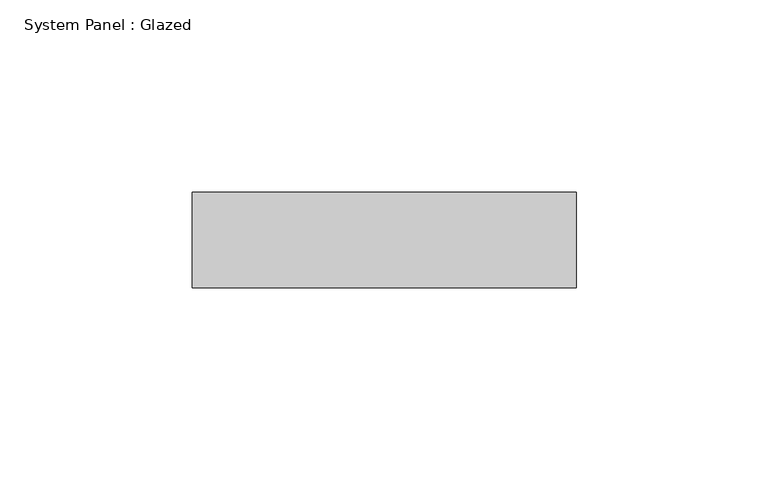
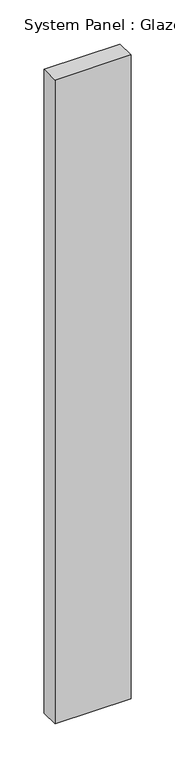
"""IFC4 building model written with IfcOpenShell, lengths in millimetres: plate geometry, System Panel : Glazed."""

import ifcopenshell
import ifcopenshell.guid

model = None  # the IFC model being written
_history = None  # IfcOwnerHistory: only IFC2X3 demands one
_inside = {}  # id of a spatial element -> (the spatial element, [elements in it])
_under = {}  # id of a project, library or spatial element -> (it, [spatial elements below it])
_declared = {}  # id of a project -> (the project, [libraries it declares])
_typed = {}  # id of a type object -> (the type object, [elements of that type])
_made_of = {}  # id of a material, layer set ... -> (it, [elements and type objects made of it])


def new_model(schema):
    """Start an empty IFC model of exactly this schema.

    Asked for "IFC4X3", IfcOpenShell would pick the latest addendum, in which some entities
    have other attributes; the version numbers below select the first issue.
    IFC2X3 requires an IfcOwnerHistory on every rooted entity: one is made here for all.
    """
    global model, _history
    if schema == "IFC4X3":
        model = ifcopenshell.file(schema_version=(4, 3, 0, 0))
    else:
        model = ifcopenshell.file(schema=schema)
    _inside.clear()
    _under.clear()
    _declared.clear()
    _typed.clear()
    _made_of.clear()
    _history = None
    if model.schema == "IFC2X3":
        org = make("IfcOrganization", Name="unknown")
        user = make(
            "IfcPersonAndOrganization",
            ThePerson=make("IfcPerson", FamilyName="unknown"),
            TheOrganization=org,
        )
        app = make(
            "IfcApplication",
            ApplicationDeveloper=org,
            Version="unknown",
            ApplicationFullName="unknown",
            ApplicationIdentifier="unknown",
        )
        _history = make(
            "IfcOwnerHistory",
            OwningUser=user,
            OwningApplication=app,
            ChangeAction="ADDED",
            CreationDate=0,
        )
    return model


def make(cls, **values):
    """One entity of the class cls with the attributes given. An attribute that is None is left unset."""
    return model.create_entity(
        cls, **{name: value for name, value in values.items() if value is not None}
    )


def rooted(cls, **values):
    """An entity with a GlobalId (a new one), such as an element, a storey or a relation."""
    return make(cls, GlobalId=ifcopenshell.guid.new(), OwnerHistory=_history, **values)


def si_unit(unit_type, name, prefix=None):
    """IfcSIUnit, for example si_unit("LENGTHUNIT", "METRE", prefix="MILLI")."""
    return make("IfcSIUnit", UnitType=unit_type, Prefix=prefix, Name=name)


def assignment(units):
    """IfcUnitAssignment: the units of a project."""
    return None if units is None else make("IfcUnitAssignment", Units=units)


def point(xyz):
    """IfcCartesianPoint."""
    return None if xyz is None else make("IfcCartesianPoint", Coordinates=xyz)


def direction(xyz):
    """IfcDirection."""
    return None if xyz is None else make("IfcDirection", DirectionRatios=xyz)


def frame(location, z_axis=None, x_axis=None):
    """IfcAxis2Placement3D, a coordinate frame: its origin and axes. An axis left out is left unset."""
    return make(
        "IfcAxis2Placement3D",
        Location=point(location),
        Axis=direction(z_axis),
        RefDirection=direction(x_axis),
    )


def origin():
    """The frame at (0, 0, 0) with its axes left unset."""
    return frame((0.0, 0.0, 0.0))


def origin_with_axes():
    """The frame at (0, 0, 0) with the z axis (0, 0, 1) and the x axis (1, 0, 0) written out."""
    return frame((0.0, 0.0, 0.0), z_axis=(0.0, 0.0, 1.0), x_axis=(1.0, 0.0, 0.0))


def place(relative_to, where):
    """IfcLocalPlacement: puts the frame where relative to a parent placement (None: the world)."""
    return make(
        "IfcLocalPlacement", PlacementRelTo=relative_to, RelativePlacement=where
    )


def context(
    kind, dimensions, precision=None, world=None, true_north=None, identifier=None
):
    """IfcGeometricRepresentationContext, for example the 3D "Model" context."""
    return make(
        "IfcGeometricRepresentationContext",
        ContextIdentifier=identifier,
        ContextType=kind,
        CoordinateSpaceDimension=dimensions,
        Precision=precision,
        WorldCoordinateSystem=world,
        TrueNorth=true_north,
    )


def project(units=None, contexts=None):
    """IfcProject with its units and contexts."""
    return rooted(
        "IfcProject",
        Name="project",
        RepresentationContexts=contexts,
        UnitsInContext=assignment(units),
    )


def spatial(cls, under=None, at=None, **own):
    """A site, building, storey or space (cls), placed at a placement, below another one or the project."""
    s = rooted(cls, ObjectPlacement=at, **own)
    if under is not None:
        _under.setdefault(under.id(), (under, []))[1].append(s)
    return s


def polyline(points):
    """IfcPolyline through the points."""
    return make("IfcPolyline", Points=[point(p) for p in points])


def outline(outer, holes=None, kind="AREA"):
    """IfcArbitraryClosedProfileDef: a profile drawn as a closed curve; with holes, ...WithVoids."""
    if holes is None:
        return make("IfcArbitraryClosedProfileDef", ProfileType=kind, OuterCurve=outer)
    return make(
        "IfcArbitraryProfileDefWithVoids",
        ProfileType=kind,
        OuterCurve=outer,
        InnerCurves=holes,
    )


def extrude(swept, where, along, depth):
    """IfcExtrudedAreaSolid: the profile swept, set in the frame where, extruded along a direction by depth."""
    return make(
        "IfcExtrudedAreaSolid",
        SweptArea=swept,
        Position=where,
        ExtrudedDirection=direction(along),
        Depth=depth,
    )


def shape(context_of_items, identifier, shape_type, items):
    """IfcShapeRepresentation: the items that make up one representation, for example the "Body"."""
    return make(
        "IfcShapeRepresentation",
        ContextOfItems=context_of_items,
        RepresentationIdentifier=identifier,
        RepresentationType=shape_type,
        Items=items,
    )


def source(mapping_origin, context_of_items, identifier, shape_type, items):
    """IfcRepresentationMap: a shape defined once, which mapped items show again and again."""
    return make(
        "IfcRepresentationMap",
        MappingOrigin=mapping_origin,
        MappedRepresentation=shape(context_of_items, identifier, shape_type, items),
    )


def transform(
    local_origin,
    x_axis=None,
    y_axis=None,
    z_axis=None,
    scale=None,
    scale2=None,
    scale3=None,
    uniform=True,
):
    """IfcCartesianTransformationOperator3D, or its non-uniform kind. x_axis, y_axis, z_axis: its Axis1, 2, 3."""
    if uniform:
        return make(
            "IfcCartesianTransformationOperator3D",
            Axis1=direction(x_axis),
            Axis2=direction(y_axis),
            LocalOrigin=point(local_origin),
            Scale=scale,
            Axis3=direction(z_axis),
        )
    return make(
        "IfcCartesianTransformationOperator3DnonUniform",
        Axis1=direction(x_axis),
        Axis2=direction(y_axis),
        LocalOrigin=point(local_origin),
        Scale=scale,
        Axis3=direction(z_axis),
        Scale2=scale2,
        Scale3=scale3,
    )


def mapped(mapping_source, mapping_target):
    """IfcMappedItem: shows the shape of a source again, moved by a transform."""
    return make(
        "IfcMappedItem", MappingSource=mapping_source, MappingTarget=mapping_target
    )


def made_of(thing, what):
    """Note that an element or type object is made of a material, layer set ...; save() writes the relation."""
    if what is not None:
        _made_of.setdefault(what.id(), (what, []))[1].append(thing)
    return thing


def element(
    cls,
    number,
    at=None,
    inside=None,
    cuts=None,
    type_object=None,
    material=None,
    context=None,
    identifier="Body",
    shape_type=None,
    held_by="IfcProductDefinitionShape",
    body=None,
    shapes=None,
    **own,
):
    """One element of the class cls, such as IfcWall. Its Tag is "e" and its number.

    at: its placement. inside: the storey or other place that contains it. cuts: it is an
    opening in that element (IfcRelVoidsElement). A single representation is given by context,
    identifier, shape_type and body (its items); several are given by shapes. held_by: the class
    of the entity that holds the representations. save() writes the other relations.
    """
    e = rooted(cls, Tag="e%d" % number, ObjectPlacement=at, **own)
    if body is not None:
        shapes = [shape(context, identifier, shape_type, body)]
    if shapes is not None:
        e.Representation = make(held_by, Representations=shapes)
    if inside is not None:
        _inside.setdefault(inside.id(), (inside, []))[1].append(e)
    if cuts is not None:
        rooted(
            "IfcRelVoidsElement", RelatingBuildingElement=cuts, RelatedOpeningElement=e
        )
    if type_object is not None:
        _typed.setdefault(type_object.id(), (type_object, []))[1].append(e)
    return made_of(e, material)


def aggregate(whole, parts):
    """IfcRelAggregates: a whole, such as a stair, and the parts it consists of."""
    return rooted("IfcRelAggregates", RelatingObject=whole, RelatedObjects=parts)


def save(model, path):
    """Write the relations noted so far, then the file.

    IfcRelAggregates (storeys below a building ...), IfcRelContainedInSpatialStructure (elements
    in a storey), IfcRelDefinesByType, IfcRelAssociatesMaterial and IfcRelDeclares: one each for
    every whole, place, type object, material and project.
    """
    for whole, parts in _under.values():
        aggregate(whole, parts)
    for where, things in _inside.values():
        rooted(
            "IfcRelContainedInSpatialStructure",
            RelatedElements=things,
            RelatingStructure=where,
        )
    for kind, things in _typed.values():
        rooted("IfcRelDefinesByType", RelatedObjects=things, RelatingType=kind)
    for what, things in _made_of.values():
        rooted("IfcRelAssociatesMaterial", RelatedObjects=things, RelatingMaterial=what)
    for by, libraries in _declared.values():
        rooted("IfcRelDeclares", RelatingContext=by, RelatedDefinitions=libraries)
    model.write(path)


def system_panel_glazed_b2f0ceab(model_context):
    return source(origin(), model_context, "Body", "SweptSolid", [
        extrude(outline(polyline([(50.0, -49.5), (-50.0, -49.5), (-50.0, -24.5), (50.0, -24.5), (50.0, -49.5)])), origin_with_axes(), (0.0, 0.0, 1.0), 892.6666667),
    ])


if __name__ == "__main__":
    model = new_model("IFC4")
    model_context = context("Model", 3, world=origin())
    ifc_project = project(units=[si_unit("LENGTHUNIT", "METRE", prefix="MILLI")], contexts=[model_context])
    site = spatial("IfcSite", under=ifc_project)
    building = spatial("IfcBuilding", under=site)
    placement = place(None, origin())
    system_panel_glazed_shape = system_panel_glazed_b2f0ceab(model_context)
    element("IfcPlate", 1, ObjectType="System Panel : Glazed", at=placement, inside=building, context=model_context, shape_type="MappedRepresentation", body=[
        mapped(system_panel_glazed_shape, transform((0.0, 0.0, 0.0), x_axis=(1.0, 0.0, 0.0), y_axis=(0.0, 1.0, 0.0), z_axis=(0.0, 0.0, 1.0))),
    ])
    save(model, "model.ifc")
